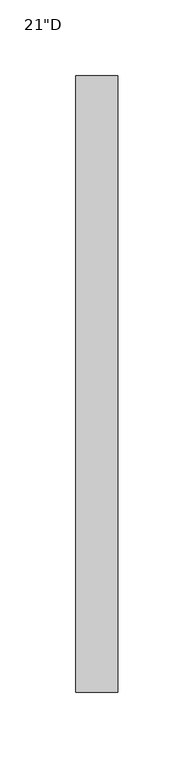
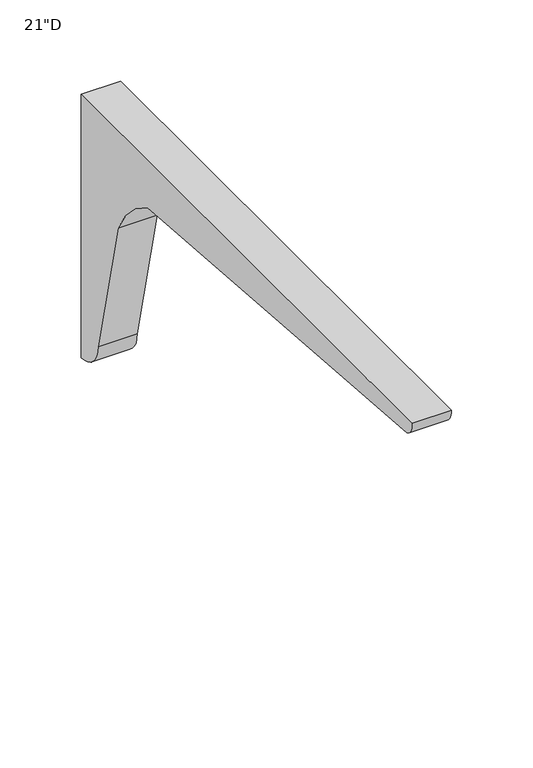
"""IFC4 building model written with IfcOpenShell, lengths in millimetres: furniture geometry."""

from ifc_helpers import new_model, si_unit, point, frame, frame_2d, origin, place, context, project, spatial, polyline, circle_curve, trimmed, segment, composite_curve, outline, extrude, source, transform, mapped, element, save


def furniture_be8fb91b(model_context):
    return source(origin(), model_context, "Body", "SweptSolid", [
        extrude(outline(composite_curve([segment(trimmed(circle_curve(frame_2d((-143.9606717, 852.8605632)), 86.0560025), [point((-66.8363066, 891.0373609))], [point((-103.3820864, 928.7487309))], True, "CARTESIAN"), True, "CONTINUOUS"), segment(polyline([(-103.3820864, 928.7487309), (-421.4532059, 952.8360324)]), True, "CONTINUOUS"), segment(trimmed(circle_curve(frame_2d((-417.1486305, 963.0106611)), 11.0477345), [point((-421.4532059, 952.8360324))], [point((-428.15256, 963.9935))], False, "CARTESIAN"), True, "CONTINUOUS"), segment(polyline([(-428.15256, 963.9935), (-21.75256, 963.9935), (-21.75256, 766.746625)]), True, "CONTINUOUS"), segment(trimmed(circle_curve(frame_2d((-21.75256, 787.1479665)), 20.4013415), [point((-21.75256, 766.746625))], [point((-42.1539008, 787.1425548))], False, "CARTESIAN"), True, "CONTINUOUS"), segment(polyline([(-42.1539008, 787.1425548), (-66.8363066, 891.0373609)]), True, "CONTINUOUS")], self_intersect=False)), frame((4.8493945, 0.0, 0.0), z_axis=(1.0, 0.0, 0.0), x_axis=(0.0, 1.0, 0.0)), (0.0, 0.0, 1.0), 27.78125),
    ])


if __name__ == "__main__":
    model = new_model("IFC4")
    model_context = context("Model", 3, world=origin())
    ifc_project = project(units=[si_unit("LENGTHUNIT", "METRE", prefix="MILLI")], contexts=[model_context])
    site = spatial("IfcSite", under=ifc_project)
    building = spatial("IfcBuilding", under=site)
    placement = place(None, origin())
    furniture_shape = furniture_be8fb91b(model_context)
    element("IfcFurniture", 1, ObjectType="21\"D", at=placement, inside=building, context=model_context, shape_type="MappedRepresentation", body=[
        mapped(furniture_shape, transform((0.0, 0.0, 0.0), x_axis=(1.0, 0.0, 0.0), y_axis=(0.0, 1.0, 0.0), z_axis=(0.0, 0.0, 1.0))),
    ])
    save(model, "model.ifc")
